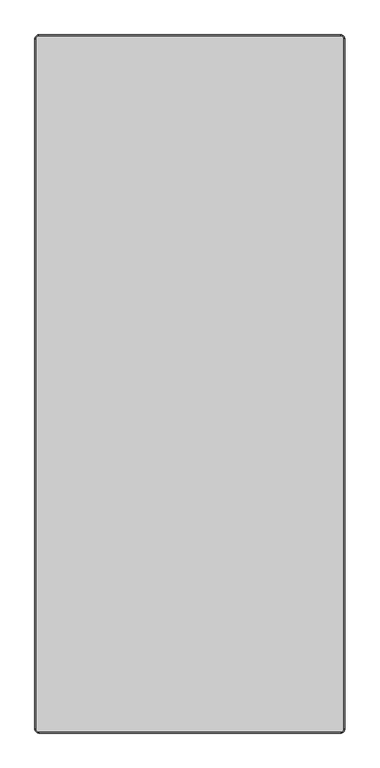
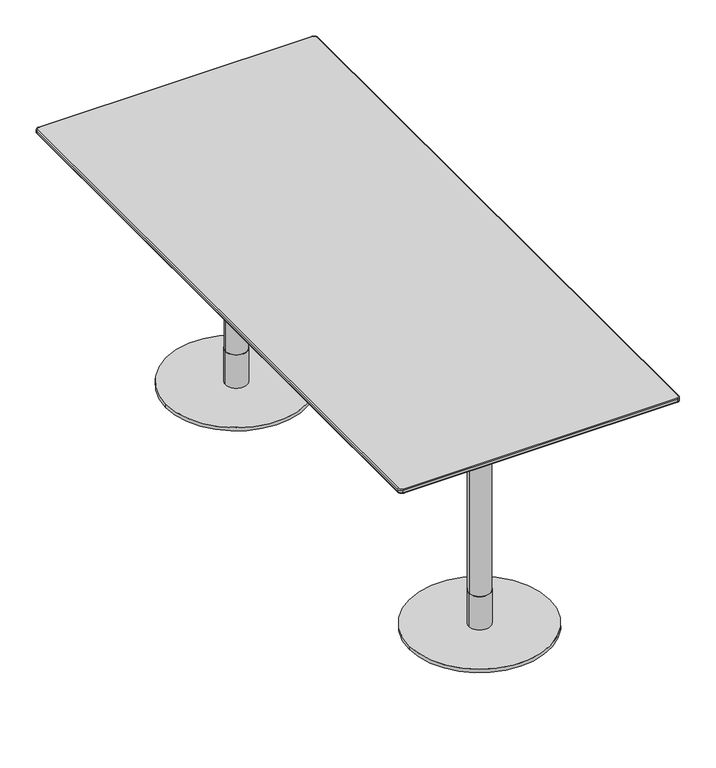
"""IFC4 building model written with IfcOpenShell, lengths in millimetres: furniture geometry."""

from ifc_helpers import new_model, si_unit, point, frame, frame_2d, origin, origin_with_axes, place, context, project, spatial, polyline, circle_curve, ellipse_curve, trimmed, segment, composite_curve, outline, extrude, source, transform, mapped, element, save
from ifc_brep_helpers import plane_surface, cylinder_surface, revolved_surface, spline_surface, advanced_brep


def furniture_b184c6fe(model_context):
    return source(origin(), model_context, "Body", "SolidModel", [
        extrude(outline(polyline([(175.0000945, -774.9403258), (-175.0000945, -774.9403258), (-175.0000945, -424.9401368), (175.0000945, -424.9401368), (175.0000945, -774.9403258)])), frame((0.0, 0.0, 702.7932592), z_axis=(0.0, 0.0, 1.0), x_axis=(1.0, 0.0, 0.0)), (0.0, 0.0, 1.0), 5.0000027),
        extrude(outline(composite_curve([segment(trimmed(circle_curve(frame_2d((0.0, -600.0)), 31.0), [point((-31.0, -600.0))], [point((31.0, -600.0))], False, "CARTESIAN"), True, "CONTINUOUS"), segment(trimmed(circle_curve(frame_2d((0.0, -600.0)), 31.0), [point((31.0, -600.0))], [point((-31.0, -600.0))], False, "CARTESIAN"), True, "CONTINUOUS")], self_intersect=False)), frame((0.0, 0.0, 602.7932663), z_axis=(0.0, 0.0, 1.0), x_axis=(1.0, 0.0, 0.0)), (0.0, 0.0, 1.0), 99.999993),
        extrude(outline(composite_curve([segment(trimmed(circle_curve(frame_2d((0.0, -600.0)), 30.0), [point((-30.0, -600.0))], [point((30.0, -600.0))], False, "CARTESIAN"), True, "CONTINUOUS"), segment(trimmed(circle_curve(frame_2d((0.0, -600.0)), 30.0), [point((30.0, -600.0))], [point((-30.0, -600.0))], False, "CARTESIAN"), True, "CONTINUOUS")], self_intersect=False)), frame((0.0, 0.0, 110.0016526), z_axis=(0.0, 0.0, 1.0), x_axis=(1.0, 0.0, 0.0)), (0.0, 0.0, 1.0), 492.7916137),
        extrude(outline(composite_curve([segment(trimmed(circle_curve(frame_2d((0.0, -600.0)), 31.0), [point((-31.0, -600.0))], [point((31.0, -600.0))], False, "CARTESIAN"), True, "CONTINUOUS"), segment(trimmed(circle_curve(frame_2d((0.0, -600.0)), 31.0), [point((31.0, -600.0))], [point((-31.0, -600.0))], False, "CARTESIAN"), True, "CONTINUOUS")], self_intersect=False)), frame((0.0, 0.0, 10.0000044), z_axis=(0.0, 0.0, 1.0), x_axis=(1.0, 0.0, 0.0)), (0.0, 0.0, 1.0), 100.0016481),
        extrude(outline(composite_curve([segment(trimmed(circle_curve(frame_2d((0.0, -600.0)), 200.0), [point((-200.0, -600.0))], [point((200.0, -600.0))], False, "CARTESIAN"), True, "CONTINUOUS"), segment(trimmed(circle_curve(frame_2d((0.0, -600.0)), 200.0), [point((200.0, -600.0))], [point((-200.0, -600.0))], False, "CARTESIAN"), True, "CONTINUOUS")], self_intersect=False)), origin_with_axes(), (0.0, 0.0, 1.0), 10.0000044),
        advanced_brep(
        [(-390.0, -898.6840403, 718.2400004), (-390.0, -900.0, 720.1193857), (-400.0, -890.0, 720.1193857), (-398.6840403, -890.0, 718.2400004), (-390.0, -900.0, 728.0), (-390.0, -898.0, 730.0), (-398.0, -890.0, 730.0), (-400.0, -890.0, 728.0), (390.0, -898.6840403, 718.2400004), (390.0, -900.0, 720.1193857), (390.0, -900.0, 728.0), (390.0, -898.0, 730.0), (398.6840403, -890.0, 718.2400004), (400.0, -890.0, 720.1193857), (400.0, -890.0, 728.0), (398.0, -890.0, 730.0), (398.6840403, 890.0, 718.2400004), (400.0, 890.0, 720.1193857), (400.0, 890.0, 728.0), (398.0, 890.0, 730.0), (390.0, 898.6840403, 718.2400004), (390.0, 900.0, 720.1193857), (390.0, 900.0, 728.0), (390.0, 898.0, 730.0), (-390.0, 898.6840403, 718.2400004), (-390.0, 900.0, 720.1193857), (-390.0, 900.0, 728.0), (-390.0, 898.0, 730.0), (-398.6840403, 890.0, 718.2400004), (-400.0, 890.0, 720.1193857), (-400.0, 890.0, 728.0), (-398.0, 890.0, 730.0)],
        [
            (0, 1, circle_curve(frame((-390.0, -898.0, 720.1193857), z_axis=(-1.0, 0.0, 0.0), x_axis=(0.0, 1.0, 0.0)), 2.0)),
            (1, 2, circle_curve(frame((-390.0, -890.0, 720.1193857), z_axis=(0.0, 0.0, -1.0), x_axis=(-1.0, 0.0, 0.0)), 10.0)),
            (2, 3, circle_curve(frame((-398.0, -890.0, 720.1193857), z_axis=(0.0, -1.0, 0.0), x_axis=(1.0, 0.0, 0.0)), 2.0)),
            (3, 0, circle_curve(frame((-390.0, -890.0, 718.2400004), z_axis=(0.0, 0.0, 1.0), x_axis=(-1.0, 0.0, 0.0)), 8.6840403)),
            (4, 5, circle_curve(frame((-390.0, -898.0, 728.0), z_axis=(-1.0, 0.0, 0.0), x_axis=(0.0, 1.0, 0.0)), 2.0)),
            (5, 6, circle_curve(frame((-390.0, -890.0, 730.0), z_axis=(0.0, 0.0, -1.0), x_axis=(-1.0, 0.0, 0.0)), 8.0)),
            (6, 7, circle_curve(frame((-398.0, -890.0, 728.0), z_axis=(0.0, -1.0, 0.0), x_axis=(1.0, 0.0, 0.0)), 2.0)),
            (7, 4, circle_curve(frame((-390.0, -890.0, 728.0), z_axis=(0.0, 0.0, 1.0), x_axis=(-1.0, 0.0, 0.0)), 10.0)),
            (0, 8),
            (8, 9, circle_curve(frame((390.0, -898.0, 720.1193857), z_axis=(-1.0, 0.0, 0.0), x_axis=(0.0, 1.0, 0.0)), 2.0)),
            (9, 1),
            (4, 10),
            (10, 11, circle_curve(frame((390.0, -898.0, 728.0), z_axis=(-1.0, 0.0, 0.0), x_axis=(0.0, 1.0, 0.0)), 2.0)),
            (11, 5),
            (8, 12, circle_curve(frame((390.0, -890.0, 718.2400004), z_axis=(0.0, 0.0, 1.0), x_axis=(0.0, -1.0, 0.0)), 8.6840403)),
            (12, 13, circle_curve(frame((398.0, -890.0, 720.1193857), z_axis=(0.0, -1.0, 0.0), x_axis=(-1.0, 0.0, 0.0)), 2.0)),
            (13, 9, circle_curve(frame((390.0, -890.0, 720.1193857), z_axis=(0.0, 0.0, -1.0), x_axis=(0.0, -1.0, 0.0)), 10.0)),
            (10, 14, circle_curve(frame((390.0, -890.0, 728.0), z_axis=(0.0, 0.0, 1.0), x_axis=(0.0, -1.0, 0.0)), 10.0)),
            (14, 15, circle_curve(frame((398.0, -890.0, 728.0), z_axis=(0.0, -1.0, 0.0), x_axis=(-1.0, 0.0, 0.0)), 2.0)),
            (15, 11, circle_curve(frame((390.0, -890.0, 730.0), z_axis=(0.0, 0.0, -1.0), x_axis=(0.0, -1.0, 0.0)), 8.0)),
            (12, 16),
            (16, 17, circle_curve(frame((398.0, 890.0, 720.1193857), z_axis=(0.0, -1.0, 0.0), x_axis=(-1.0, 0.0, 0.0)), 2.0)),
            (17, 13),
            (14, 18),
            (18, 19, circle_curve(frame((398.0, 890.0, 728.0), z_axis=(0.0, -1.0, 0.0), x_axis=(-1.0, 0.0, 0.0)), 2.0)),
            (19, 15),
            (16, 20, circle_curve(frame((390.0, 890.0, 718.2400004), z_axis=(0.0, 0.0, 1.0), x_axis=(1.0, 0.0, 0.0)), 8.6840403)),
            (20, 21, circle_curve(frame((390.0, 898.0, 720.1193857), z_axis=(1.0, 0.0, 0.0), x_axis=(0.0, -1.0, 0.0)), 2.0)),
            (21, 17, circle_curve(frame((390.0, 890.0, 720.1193857), z_axis=(0.0, 0.0, -1.0), x_axis=(1.0, 0.0, 0.0)), 10.0)),
            (18, 22, circle_curve(frame((390.0, 890.0, 728.0), z_axis=(0.0, 0.0, 1.0), x_axis=(1.0, 0.0, 0.0)), 10.0)),
            (22, 23, circle_curve(frame((390.0, 898.0, 728.0), z_axis=(1.0, 0.0, 0.0), x_axis=(0.0, -1.0, 0.0)), 2.0)),
            (23, 19, circle_curve(frame((390.0, 890.0, 730.0), z_axis=(0.0, 0.0, -1.0), x_axis=(1.0, 0.0, 0.0)), 8.0)),
            (20, 24),
            (24, 25, circle_curve(frame((-390.0, 898.0, 720.1193857), z_axis=(1.0, 0.0, 0.0), x_axis=(0.0, -1.0, 0.0)), 2.0)),
            (25, 21),
            (22, 26),
            (26, 27, circle_curve(frame((-390.0, 898.0, 728.0), z_axis=(1.0, 0.0, 0.0), x_axis=(0.0, -1.0, 0.0)), 2.0)),
            (27, 23),
            (24, 28, circle_curve(frame((-390.0, 890.0, 718.2400004), z_axis=(0.0, 0.0, 1.0), x_axis=(0.0, 1.0, 0.0)), 8.6840403)),
            (28, 29, circle_curve(frame((-398.0, 890.0, 720.1193857), z_axis=(0.0, 1.0, 0.0), x_axis=(1.0, 0.0, 0.0)), 2.0)),
            (29, 25, circle_curve(frame((-390.0, 890.0, 720.1193857), z_axis=(0.0, 0.0, -1.0), x_axis=(0.0, 1.0, 0.0)), 10.0)),
            (26, 30, circle_curve(frame((-390.0, 890.0, 728.0), z_axis=(0.0, 0.0, 1.0), x_axis=(0.0, 1.0, 0.0)), 10.0)),
            (30, 31, circle_curve(frame((-398.0, 890.0, 728.0), z_axis=(0.0, 1.0, 0.0), x_axis=(1.0, 0.0, 0.0)), 2.0)),
            (31, 27, circle_curve(frame((-390.0, 890.0, 730.0), z_axis=(0.0, 0.0, -1.0), x_axis=(0.0, 1.0, 0.0)), 8.0)),
            (2, 29),
            (28, 3),
            (6, 31),
            (30, 7),
            (22, 21),
            (25, 26),
            (30, 29),
            (2, 7),
            (4, 1),
            (9, 10),
            (14, 13),
            (17, 18),
        ],
        [
            revolved_surface(trimmed(ellipse_curve(frame((-398.0, -890.0, 720.1193857), z_axis=(0.0, 1.0, 0.0), x_axis=(1.0, 0.0, 0.0)), 2.0, 2.0), [point((-398.6840403, -890.0, 718.2400004))], [point((-400.0, -890.0, 720.1193857))], True, "CARTESIAN"), (-390.0, -890.0, 0.0), (0.0, 0.0, 1.0)),
            revolved_surface(trimmed(ellipse_curve(frame((-398.0, -890.0, 728.0), z_axis=(0.0, 1.0, 0.0), x_axis=(1.0, 0.0, 0.0)), 2.0, 2.0), [point((-400.0, -890.0, 728.0))], [point((-398.0, -890.0, 730.0))], True, "CARTESIAN"), (-390.0, -890.0, 0.0), (0.0, 0.0, 1.0)),
            cylinder_surface(frame((-390.0, -898.0, 720.1193857), z_axis=(1.0, 0.0, 0.0), x_axis=(0.0, 1.0, 0.0)), 2.0),
            cylinder_surface(frame((-390.0, -898.0, 728.0), z_axis=(1.0, 0.0, 0.0), x_axis=(0.0, 1.0, 0.0)), 2.0),
            revolved_surface(trimmed(ellipse_curve(frame((390.0, -898.0, 720.1193857), z_axis=(-1.0, 0.0, 0.0), x_axis=(0.0, 1.0, 0.0)), 2.0, 2.0), [point((390.0, -898.6840403, 718.2400004))], [point((390.0, -900.0, 720.1193857))], True, "CARTESIAN"), (390.0, -890.0, 0.0), (0.0, 0.0, 1.0)),
            revolved_surface(trimmed(ellipse_curve(frame((390.0, -898.0, 728.0), z_axis=(-1.0, 0.0, 0.0), x_axis=(0.0, 1.0, 0.0)), 2.0, 2.0), [point((390.0, -900.0, 728.0))], [point((390.0, -898.0, 730.0))], True, "CARTESIAN"), (390.0, -890.0, 0.0), (0.0, 0.0, 1.0)),
            cylinder_surface(frame((398.0, -890.0, 720.1193857), z_axis=(0.0, 1.0, 0.0), x_axis=(-1.0, 0.0, 0.0)), 2.0),
            cylinder_surface(frame((398.0, -890.0, 728.0), z_axis=(0.0, 1.0, 0.0), x_axis=(-1.0, 0.0, 0.0)), 2.0),
            revolved_surface(trimmed(ellipse_curve(frame((398.0, 890.0, 720.1193857), z_axis=(0.0, -1.0, 0.0), x_axis=(-1.0, 0.0, 0.0)), 2.0, 2.0), [point((398.6840403, 890.0, 718.2400004))], [point((400.0, 890.0, 720.1193857))], True, "CARTESIAN"), (390.0, 890.0, 0.0), (0.0, 0.0, 1.0)),
            revolved_surface(trimmed(ellipse_curve(frame((398.0, 890.0, 728.0), z_axis=(0.0, -1.0, 0.0), x_axis=(-1.0, 0.0, 0.0)), 2.0, 2.0), [point((400.0, 890.0, 728.0))], [point((398.0, 890.0, 730.0))], True, "CARTESIAN"), (390.0, 890.0, 0.0), (0.0, 0.0, 1.0)),
            cylinder_surface(frame((390.0, 898.0, 720.1193857), z_axis=(-1.0, 0.0, 0.0), x_axis=(0.0, -1.0, 0.0)), 2.0),
            cylinder_surface(frame((390.0, 898.0, 728.0), z_axis=(-1.0, 0.0, 0.0), x_axis=(0.0, -1.0, 0.0)), 2.0),
            revolved_surface(trimmed(ellipse_curve(frame((-390.0, 898.0, 720.1193857), z_axis=(1.0, 0.0, 0.0), x_axis=(0.0, -1.0, 0.0)), 2.0, 2.0), [point((-390.0, 898.6840403, 718.2400004))], [point((-390.0, 900.0, 720.1193857))], True, "CARTESIAN"), (-390.0, 890.0, 0.0), (0.0, 0.0, 1.0)),
            revolved_surface(trimmed(ellipse_curve(frame((-390.0, 898.0, 728.0), z_axis=(1.0, 0.0, 0.0), x_axis=(0.0, -1.0, 0.0)), 2.0, 2.0), [point((-390.0, 900.0, 728.0))], [point((-390.0, 898.0, 730.0))], True, "CARTESIAN"), (-390.0, 890.0, 0.0), (0.0, 0.0, 1.0)),
            cylinder_surface(frame((-398.0, 890.0, 720.1193857), z_axis=(0.0, -1.0, 0.0), x_axis=(1.0, 0.0, 0.0)), 2.0),
            cylinder_surface(frame((-398.0, 890.0, 728.0), z_axis=(0.0, -1.0, 0.0), x_axis=(1.0, 0.0, 0.0)), 2.0),
            plane_surface(frame((-390.0, 900.0, 730.0), z_axis=(0.0, 0.0, 1.0), x_axis=(-1.0, 0.0, 0.0))),
            plane_surface(frame((-390.0, 900.0, 718.2400004), z_axis=(0.0, 0.0, -1.0), x_axis=(1.0, 0.0, 0.0))),
            plane_surface(frame((390.0, 900.0, 730.0), z_axis=(0.0, 1.0, 0.0), x_axis=(0.0, 0.0, -1.0))),
            plane_surface(frame((-400.0, 890.0, 730.0), z_axis=(-1.0, 0.0, 0.0), x_axis=(0.0, 0.0, -1.0))),
            plane_surface(frame((-390.0, -900.0, 730.0), z_axis=(0.0, -1.0, 0.0), x_axis=(0.0, 0.0, -1.0))),
            plane_surface(frame((400.0, -890.0, 730.0), z_axis=(1.0, 0.0, 0.0), x_axis=(0.0, 0.0, -1.0))),
            cylinder_surface(frame((-390.0, 890.0, 718.2400004), z_axis=(0.0, 0.0, 1.0), x_axis=(1.0, 0.0, 0.0)), 10.0),
            cylinder_surface(frame((-390.0, -890.0, 718.2400004), z_axis=(0.0, 0.0, 1.0), x_axis=(1.0, 0.0, 0.0)), 10.0),
            cylinder_surface(frame((390.0, -890.0, 718.2400004), z_axis=(0.0, 0.0, 1.0), x_axis=(1.0, 0.0, 0.0)), 10.0),
            cylinder_surface(frame((390.0, 890.0, 718.2400004), z_axis=(0.0, 0.0, 1.0), x_axis=(1.0, 0.0, 0.0)), 10.0),
        ],
        [
            (0, [[1, 2, 3, 4]]),
            (1, [[5, 6, 7, 8]]),
            (2, [[-1, 9, 10, 11]]),
            (3, [[-5, 12, 13, 14]]),
            (4, [[-10, 15, 16, 17]]),
            (5, [[-13, 18, 19, 20]]),
            (6, [[-16, 21, 22, 23]]),
            (7, [[-19, 24, 25, 26]]),
            (8, [[-22, 27, 28, 29]]),
            (9, [[-25, 30, 31, 32]]),
            (10, [[-28, 33, 34, 35]]),
            (11, [[-31, 36, 37, 38]]),
            (12, [[-34, 39, 40, 41]]),
            (13, [[-37, 42, 43, 44]]),
            (14, [[-3, 45, -40, 46]]),
            (15, [[-7, 47, -43, 48]]),
            (16, [[-6, -14, -20, -26, -32, -38, -44, -47]]),
            (17, [[-4, -46, -39, -33, -27, -21, -15, -9]]),
            (18, [[49, -35, 50, -36]]),
            (19, [[51, -45, 52, -48]]),
            (20, [[53, -11, 54, -12]]),
            (21, [[55, -23, 56, -24]]),
            (22, [[-51, -42, -50, -41]]),
            (23, [[-53, -8, -52, -2]]),
            (24, [[-55, -18, -54, -17]]),
            (25, [[-49, -30, -56, -29]]),
        ],
    ),
        advanced_brep(
        [(390.0, 898.6840403, 718.2400004), (-390.0, 898.6840403, 718.2400004), (-398.6840403, 890.0, 718.2400004), (-398.6840403, -890.0, 718.2400004), (-390.0, -898.6840403, 718.2400004), (390.0, -898.6840403, 718.2400004), (398.6840403, -890.0, 718.2400004), (398.6840403, 890.0, 718.2400004), (362.030341, 870.0, 707.7932619), (370.0, 862.030341, 707.7932619), (370.0, -862.030341, 707.7932619), (362.030341, -870.0, 707.7932619), (-362.030341, -870.0, 707.7932619), (-370.0, -862.030341, 707.7932619), (-370.0, 862.030341, 707.7932619), (-362.030341, 870.0, 707.7932619)],
        [
            (0, 1),
            (1, 2, circle_curve(frame((-390.0, 890.0, 718.2400004), z_axis=(0.0, 0.0, 1.0), x_axis=(1.0, 0.0, 0.0)), 8.6840403)),
            (2, 3),
            (3, 4, circle_curve(frame((-390.0, -890.0, 718.2400004), z_axis=(0.0, 0.0, 1.0), x_axis=(1.0, 0.0, 0.0)), 8.6840403)),
            (4, 5),
            (5, 6, circle_curve(frame((390.0, -890.0, 718.2400004), z_axis=(0.0, 0.0, 1.0), x_axis=(1.0, 0.0, 0.0)), 8.6840403)),
            (6, 7),
            (7, 0, circle_curve(frame((390.0, 890.0, 718.2400004), z_axis=(0.0, 0.0, 1.0), x_axis=(1.0, 0.0, 0.0)), 8.6840403)),
            (8, 9, circle_curve(frame((362.030341, 862.030341, 707.7932619), z_axis=(0.0, 0.0, -1.0), x_axis=(1.0, 0.0, 0.0)), 7.969659)),
            (9, 10),
            (10, 11, circle_curve(frame((362.030341, -862.030341, 707.7932619), z_axis=(0.0, 0.0, -1.0), x_axis=(1.0, 0.0, 0.0)), 7.969659)),
            (11, 12),
            (12, 13, circle_curve(frame((-362.030341, -862.030341, 707.7932619), z_axis=(0.0, 0.0, -1.0), x_axis=(1.0, 0.0, 0.0)), 7.969659)),
            (13, 14),
            (14, 15, circle_curve(frame((-362.030341, 862.030341, 707.7932619), z_axis=(0.0, 0.0, -1.0), x_axis=(1.0, 0.0, 0.0)), 7.969659)),
            (15, 8),
            (15, 1),
            (0, 8),
            (14, 2),
            (13, 3),
            (12, 4),
            (11, 5),
            (10, 6),
            (9, 7),
        ],
        [
            plane_surface(frame((0.0, 0.0, 718.2400004), z_axis=(0.0, 0.0, 1.0), x_axis=(-1.0, 0.0, 0.0))),
            plane_surface(frame((0.0, 0.0, 707.7932619), z_axis=(0.0, 0.0, -1.0), x_axis=(-1.0, 0.0, 0.0))),
            plane_surface(frame((0.0, 870.0, 707.7932619), z_axis=(0.0, 0.34221109305816916, -0.9396230987943693), x_axis=(-1.0, 0.0, 0.0))),
            spline_surface(2, 1, [[(-362.030341, 870.0, 707.7932619), (-390.0, 898.6840403, 718.2400004)], [(-370.0, 870.0, 707.7932619), (-398.6840403, 898.6840403, 718.2400004)], [(-370.0, 862.030341, 707.7932619), (-398.6840403, 890.0, 718.2400004)]], [3, 3], [2, 2], [0.0, 1.0], [0.0, 1.0], weights=[[1.0, 1.0], [0.7071067811865476, 0.7071067811865476], [1.0, 1.0]]),
            plane_surface(frame((-370.0, 0.0, 707.7932619), z_axis=(-0.3422110930581863, 0.0, -0.9396230987943631), x_axis=(0.0, -1.0, 0.0))),
            spline_surface(2, 1, [[(-370.0, -862.030341, 707.7932619), (-398.6840403, -890.0, 718.2400004)], [(-370.0, -870.0, 707.7932619), (-398.6840403, -898.6840403, 718.2400004)], [(-362.030341, -870.0, 707.7932619), (-390.0, -898.6840403, 718.2400004)]], [3, 3], [2, 2], [0.0, 1.0], [0.0, 1.0], weights=[[1.0, 1.0], [0.7071067811865476, 0.7071067811865476], [1.0, 1.0]]),
            plane_surface(frame((0.0, -870.0, 707.7932619), z_axis=(0.0, -0.3422110930581706, -0.9396230987943688), x_axis=(1.0, 0.0, 0.0))),
            spline_surface(2, 1, [[(362.030341, -870.0, 707.7932619), (390.0, -898.6840403, 718.2400004)], [(370.0, -870.0, 707.7932619), (398.6840403, -898.6840403, 718.2400004)], [(370.0, -862.030341, 707.7932619), (398.6840403, -890.0, 718.2400004)]], [3, 3], [2, 2], [0.0, 1.0], [0.0, 1.0], weights=[[1.0, 1.0], [0.7071067811865476, 0.7071067811865476], [1.0, 1.0]]),
            plane_surface(frame((370.0, 0.0, 707.7932619), z_axis=(0.34221109305815417, 0.0, -0.9396230987943748), x_axis=(0.0, 1.0, 0.0))),
            spline_surface(2, 1, [[(370.0, 862.030341, 707.7932619), (398.6840403, 890.0, 718.2400004)], [(370.0, 870.0, 707.7932619), (398.6840403, 898.6840403, 718.2400004)], [(362.030341, 870.0, 707.7932619), (390.0, 898.6840403, 718.2400004)]], [3, 3], [2, 2], [0.0, 1.0], [0.0, 1.0], weights=[[1.0, 1.0], [0.7071067811865476, 0.7071067811865476], [1.0, 1.0]]),
        ],
        [
            (0, [[1, 2, 3, 4, 5, 6, 7, 8]]),
            (1, [[9, 10, 11, 12, 13, 14, 15, 16]]),
            (2, [[-16, 17, -1, 18]]),
            (3, [[-15, 19, -2, -17]]),
            (4, [[-14, 20, -3, -19]]),
            (5, [[-13, 21, -4, -20]]),
            (6, [[-12, 22, -5, -21]]),
            (7, [[-11, 23, -6, -22]]),
            (8, [[-10, 24, -7, -23]]),
            (9, [[-9, -18, -8, -24]]),
        ],
    ),
        extrude(outline(polyline([(175.0000945, 774.9403258), (175.0000945, 424.9401368), (-175.0000945, 424.9401368), (-175.0000945, 774.9403258), (175.0000945, 774.9403258)])), frame((0.0, 0.0, 702.7932592), z_axis=(0.0, 0.0, 1.0), x_axis=(1.0, 0.0, 0.0)), (0.0, 0.0, 1.0), 5.0000027),
        extrude(outline(composite_curve([segment(trimmed(circle_curve(frame_2d((0.0, 600.0)), 31.0), [point((-31.0, 600.0))], [point((31.0, 600.0))], False, "CARTESIAN"), True, "CONTINUOUS"), segment(trimmed(circle_curve(frame_2d((0.0, 600.0)), 31.0), [point((31.0, 600.0))], [point((-31.0, 600.0))], False, "CARTESIAN"), True, "CONTINUOUS")], self_intersect=False)), frame((0.0, 0.0, 602.7932663), z_axis=(0.0, 0.0, 1.0), x_axis=(1.0, 0.0, 0.0)), (0.0, 0.0, 1.0), 99.999993),
        extrude(outline(composite_curve([segment(trimmed(circle_curve(frame_2d((0.0, 600.0)), 30.0), [point((-30.0, 600.0))], [point((30.0, 600.0))], False, "CARTESIAN"), True, "CONTINUOUS"), segment(trimmed(circle_curve(frame_2d((0.0, 600.0)), 30.0), [point((30.0, 600.0))], [point((-30.0, 600.0))], False, "CARTESIAN"), True, "CONTINUOUS")], self_intersect=False)), frame((0.0, 0.0, 110.0016526), z_axis=(0.0, 0.0, 1.0), x_axis=(1.0, 0.0, 0.0)), (0.0, 0.0, 1.0), 492.7916137),
        extrude(outline(composite_curve([segment(trimmed(circle_curve(frame_2d((0.0, 600.0)), 31.0), [point((-31.0, 600.0))], [point((31.0, 600.0))], False, "CARTESIAN"), True, "CONTINUOUS"), segment(trimmed(circle_curve(frame_2d((0.0, 600.0)), 31.0), [point((31.0, 600.0))], [point((-31.0, 600.0))], False, "CARTESIAN"), True, "CONTINUOUS")], self_intersect=False)), frame((0.0, 0.0, 10.0000044), z_axis=(0.0, 0.0, 1.0), x_axis=(1.0, 0.0, 0.0)), (0.0, 0.0, 1.0), 100.0016481),
        extrude(outline(composite_curve([segment(trimmed(circle_curve(frame_2d((0.0, 600.0)), 200.0), [point((-200.0, 600.0))], [point((200.0, 600.0))], False, "CARTESIAN"), True, "CONTINUOUS"), segment(trimmed(circle_curve(frame_2d((0.0, 600.0)), 200.0), [point((200.0, 600.0))], [point((-200.0, 600.0))], False, "CARTESIAN"), True, "CONTINUOUS")], self_intersect=False)), origin_with_axes(), (0.0, 0.0, 1.0), 10.0000044),
    ])


if __name__ == "__main__":
    model = new_model("IFC4")
    model_context = context("Model", 3, world=origin())
    ifc_project = project(units=[si_unit("LENGTHUNIT", "METRE", prefix="MILLI")], contexts=[model_context])
    site = spatial("IfcSite", under=ifc_project)
    building = spatial("IfcBuilding", under=site)
    placement = place(None, origin())
    furniture_shape = furniture_b184c6fe(model_context)
    element("IfcFurniture", 1, at=placement, inside=building, context=model_context, shape_type="MappedRepresentation", body=[
        mapped(furniture_shape, transform((0.0, 0.0, 0.0), x_axis=(1.0, 0.0, 0.0), y_axis=(0.0, 1.0, 0.0), z_axis=(0.0, 0.0, 1.0))),
    ])
    save(model, "model.ifc")
